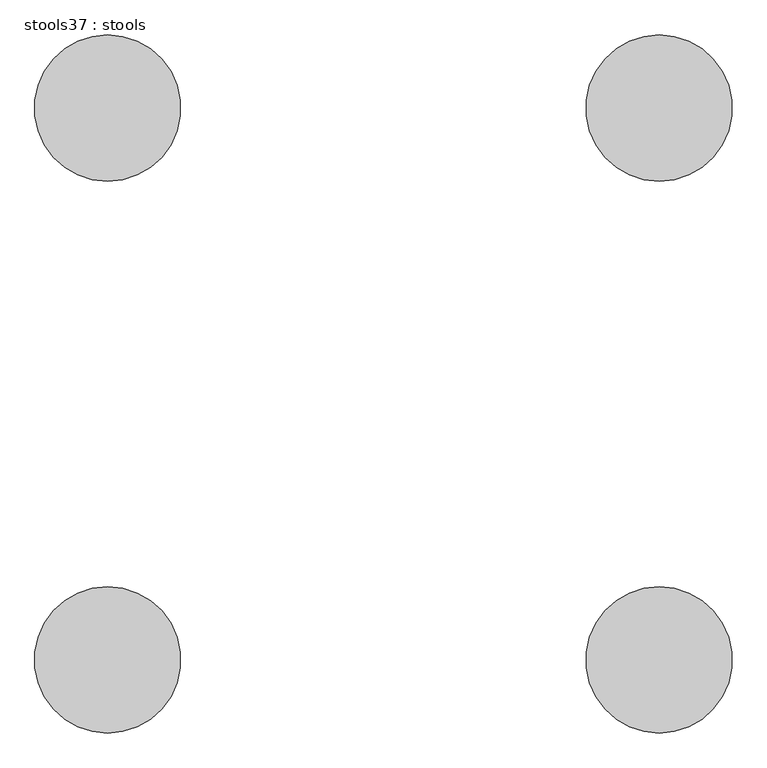
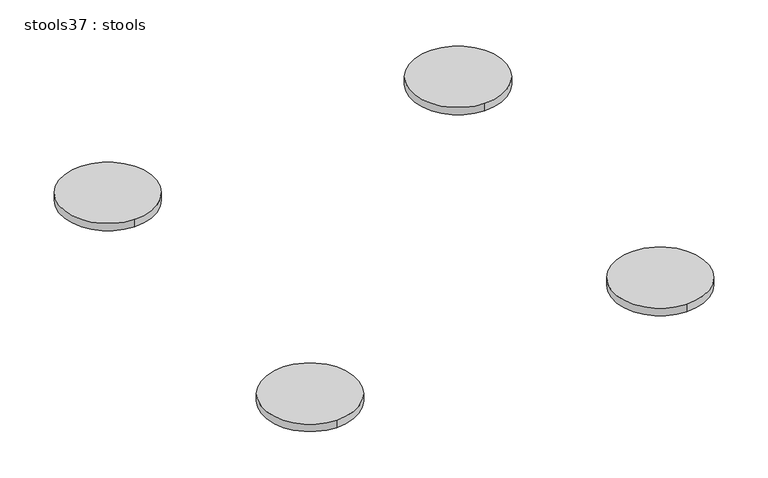
"""IFC4 building model written with IfcOpenShell, lengths in millimetres: furniture geometry, stools37 : stools."""

import ifcopenshell
import ifcopenshell.guid

model = None  # the IFC model being written
_history = None  # IfcOwnerHistory: only IFC2X3 demands one
_inside = {}  # id of a spatial element -> (the spatial element, [elements in it])
_under = {}  # id of a project, library or spatial element -> (it, [spatial elements below it])
_declared = {}  # id of a project -> (the project, [libraries it declares])
_typed = {}  # id of a type object -> (the type object, [elements of that type])
_made_of = {}  # id of a material, layer set ... -> (it, [elements and type objects made of it])


def new_model(schema):
    """Start an empty IFC model of exactly this schema.

    Asked for "IFC4X3", IfcOpenShell would pick the latest addendum, in which some entities
    have other attributes; the version numbers below select the first issue.
    IFC2X3 requires an IfcOwnerHistory on every rooted entity: one is made here for all.
    """
    global model, _history
    if schema == "IFC4X3":
        model = ifcopenshell.file(schema_version=(4, 3, 0, 0))
    else:
        model = ifcopenshell.file(schema=schema)
    _inside.clear()
    _under.clear()
    _declared.clear()
    _typed.clear()
    _made_of.clear()
    _history = None
    if model.schema == "IFC2X3":
        org = make("IfcOrganization", Name="unknown")
        user = make(
            "IfcPersonAndOrganization",
            ThePerson=make("IfcPerson", FamilyName="unknown"),
            TheOrganization=org,
        )
        app = make(
            "IfcApplication",
            ApplicationDeveloper=org,
            Version="unknown",
            ApplicationFullName="unknown",
            ApplicationIdentifier="unknown",
        )
        _history = make(
            "IfcOwnerHistory",
            OwningUser=user,
            OwningApplication=app,
            ChangeAction="ADDED",
            CreationDate=0,
        )
    return model


def make(cls, **values):
    """One entity of the class cls with the attributes given. An attribute that is None is left unset."""
    return model.create_entity(
        cls, **{name: value for name, value in values.items() if value is not None}
    )


def rooted(cls, **values):
    """An entity with a GlobalId (a new one), such as an element, a storey or a relation."""
    return make(cls, GlobalId=ifcopenshell.guid.new(), OwnerHistory=_history, **values)


def si_unit(unit_type, name, prefix=None):
    """IfcSIUnit, for example si_unit("LENGTHUNIT", "METRE", prefix="MILLI")."""
    return make("IfcSIUnit", UnitType=unit_type, Prefix=prefix, Name=name)


def assignment(units):
    """IfcUnitAssignment: the units of a project."""
    return None if units is None else make("IfcUnitAssignment", Units=units)


def point(xyz):
    """IfcCartesianPoint."""
    return None if xyz is None else make("IfcCartesianPoint", Coordinates=xyz)


def direction(xyz):
    """IfcDirection."""
    return None if xyz is None else make("IfcDirection", DirectionRatios=xyz)


def frame(location, z_axis=None, x_axis=None):
    """IfcAxis2Placement3D, a coordinate frame: its origin and axes. An axis left out is left unset."""
    return make(
        "IfcAxis2Placement3D",
        Location=point(location),
        Axis=direction(z_axis),
        RefDirection=direction(x_axis),
    )


def frame_2d(location, x_axis=None):
    """IfcAxis2Placement2D, a coordinate frame in the plane: its origin and x axis."""
    return make(
        "IfcAxis2Placement2D", Location=point(location), RefDirection=direction(x_axis)
    )


def origin():
    """The frame at (0, 0, 0) with its axes left unset."""
    return frame((0.0, 0.0, 0.0))


def place(relative_to, where):
    """IfcLocalPlacement: puts the frame where relative to a parent placement (None: the world)."""
    return make(
        "IfcLocalPlacement", PlacementRelTo=relative_to, RelativePlacement=where
    )


def context(
    kind, dimensions, precision=None, world=None, true_north=None, identifier=None
):
    """IfcGeometricRepresentationContext, for example the 3D "Model" context."""
    return make(
        "IfcGeometricRepresentationContext",
        ContextIdentifier=identifier,
        ContextType=kind,
        CoordinateSpaceDimension=dimensions,
        Precision=precision,
        WorldCoordinateSystem=world,
        TrueNorth=true_north,
    )


def project(units=None, contexts=None):
    """IfcProject with its units and contexts."""
    return rooted(
        "IfcProject",
        Name="project",
        RepresentationContexts=contexts,
        UnitsInContext=assignment(units),
    )


def spatial(cls, under=None, at=None, **own):
    """A site, building, storey or space (cls), placed at a placement, below another one or the project."""
    s = rooted(cls, ObjectPlacement=at, **own)
    if under is not None:
        _under.setdefault(under.id(), (under, []))[1].append(s)
    return s


def circle_curve(where, radius):
    """IfcCircle in the frame where."""
    return make("IfcCircle", Position=where, Radius=radius)


def trimmed(basis, trim1, trim2, sense, master):
    """IfcTrimmedCurve: the piece of a basis curve between two trims."""
    return make(
        "IfcTrimmedCurve",
        BasisCurve=basis,
        Trim1=trim1,
        Trim2=trim2,
        SenseAgreement=sense,
        MasterRepresentation=master,
    )


def segment(curve, same_sense, transition):
    """IfcCompositeCurveSegment."""
    return make(
        "IfcCompositeCurveSegment",
        Transition=transition,
        SameSense=same_sense,
        ParentCurve=curve,
    )


def composite_curve(segments, self_intersect=None):
    """IfcCompositeCurve: segments joined end to end."""
    return make("IfcCompositeCurve", Segments=segments, SelfIntersect=self_intersect)


def outline(outer, holes=None, kind="AREA"):
    """IfcArbitraryClosedProfileDef: a profile drawn as a closed curve; with holes, ...WithVoids."""
    if holes is None:
        return make("IfcArbitraryClosedProfileDef", ProfileType=kind, OuterCurve=outer)
    return make(
        "IfcArbitraryProfileDefWithVoids",
        ProfileType=kind,
        OuterCurve=outer,
        InnerCurves=holes,
    )


def extrude(swept, where, along, depth):
    """IfcExtrudedAreaSolid: the profile swept, set in the frame where, extruded along a direction by depth."""
    return make(
        "IfcExtrudedAreaSolid",
        SweptArea=swept,
        Position=where,
        ExtrudedDirection=direction(along),
        Depth=depth,
    )


def shape(context_of_items, identifier, shape_type, items):
    """IfcShapeRepresentation: the items that make up one representation, for example the "Body"."""
    return make(
        "IfcShapeRepresentation",
        ContextOfItems=context_of_items,
        RepresentationIdentifier=identifier,
        RepresentationType=shape_type,
        Items=items,
    )


def source(mapping_origin, context_of_items, identifier, shape_type, items):
    """IfcRepresentationMap: a shape defined once, which mapped items show again and again."""
    return make(
        "IfcRepresentationMap",
        MappingOrigin=mapping_origin,
        MappedRepresentation=shape(context_of_items, identifier, shape_type, items),
    )


def transform(
    local_origin,
    x_axis=None,
    y_axis=None,
    z_axis=None,
    scale=None,
    scale2=None,
    scale3=None,
    uniform=True,
):
    """IfcCartesianTransformationOperator3D, or its non-uniform kind. x_axis, y_axis, z_axis: its Axis1, 2, 3."""
    if uniform:
        return make(
            "IfcCartesianTransformationOperator3D",
            Axis1=direction(x_axis),
            Axis2=direction(y_axis),
            LocalOrigin=point(local_origin),
            Scale=scale,
            Axis3=direction(z_axis),
        )
    return make(
        "IfcCartesianTransformationOperator3DnonUniform",
        Axis1=direction(x_axis),
        Axis2=direction(y_axis),
        LocalOrigin=point(local_origin),
        Scale=scale,
        Axis3=direction(z_axis),
        Scale2=scale2,
        Scale3=scale3,
    )


def mapped(mapping_source, mapping_target):
    """IfcMappedItem: shows the shape of a source again, moved by a transform."""
    return make(
        "IfcMappedItem", MappingSource=mapping_source, MappingTarget=mapping_target
    )


def made_of(thing, what):
    """Note that an element or type object is made of a material, layer set ...; save() writes the relation."""
    if what is not None:
        _made_of.setdefault(what.id(), (what, []))[1].append(thing)
    return thing


def element(
    cls,
    number,
    at=None,
    inside=None,
    cuts=None,
    type_object=None,
    material=None,
    context=None,
    identifier="Body",
    shape_type=None,
    held_by="IfcProductDefinitionShape",
    body=None,
    shapes=None,
    **own,
):
    """One element of the class cls, such as IfcWall. Its Tag is "e" and its number.

    at: its placement. inside: the storey or other place that contains it. cuts: it is an
    opening in that element (IfcRelVoidsElement). A single representation is given by context,
    identifier, shape_type and body (its items); several are given by shapes. held_by: the class
    of the entity that holds the representations. save() writes the other relations.
    """
    e = rooted(cls, Tag="e%d" % number, ObjectPlacement=at, **own)
    if body is not None:
        shapes = [shape(context, identifier, shape_type, body)]
    if shapes is not None:
        e.Representation = make(held_by, Representations=shapes)
    if inside is not None:
        _inside.setdefault(inside.id(), (inside, []))[1].append(e)
    if cuts is not None:
        rooted(
            "IfcRelVoidsElement", RelatingBuildingElement=cuts, RelatedOpeningElement=e
        )
    if type_object is not None:
        _typed.setdefault(type_object.id(), (type_object, []))[1].append(e)
    return made_of(e, material)


def aggregate(whole, parts):
    """IfcRelAggregates: a whole, such as a stair, and the parts it consists of."""
    return rooted("IfcRelAggregates", RelatingObject=whole, RelatedObjects=parts)


def save(model, path):
    """Write the relations noted so far, then the file.

    IfcRelAggregates (storeys below a building ...), IfcRelContainedInSpatialStructure (elements
    in a storey), IfcRelDefinesByType, IfcRelAssociatesMaterial and IfcRelDeclares: one each for
    every whole, place, type object, material and project.
    """
    for whole, parts in _under.values():
        aggregate(whole, parts)
    for where, things in _inside.values():
        rooted(
            "IfcRelContainedInSpatialStructure",
            RelatedElements=things,
            RelatingStructure=where,
        )
    for kind, things in _typed.values():
        rooted("IfcRelDefinesByType", RelatedObjects=things, RelatingType=kind)
    for what, things in _made_of.values():
        rooted("IfcRelAssociatesMaterial", RelatedObjects=things, RelatingMaterial=what)
    for by, libraries in _declared.values():
        rooted("IfcRelDeclares", RelatingContext=by, RelatedDefinitions=libraries)
    model.write(path)


def stools37_stools_c8001e5c(model_context):
    return source(origin(), model_context, "Body", "SweptSolid", [
        extrude(outline(composite_curve([segment(trimmed(circle_curve(frame_2d((-120413.196914, -64477.6321428)), 152.4), [point((-120413.196914, -64325.2321428))], [point((-120413.196914, -64630.0321428))], False, "CARTESIAN"), True, "CONTINUOUS"), segment(trimmed(circle_curve(frame_2d((-120413.196914, -64477.6321428)), 152.4), [point((-120413.196914, -64630.0321428))], [point((-120413.196914, -64325.2321428))], False, "CARTESIAN"), True, "CONTINUOUS")], self_intersect=False)), frame((0.0, 0.0, 457.2), z_axis=(0.0, 0.0, 1.0), x_axis=(1.0, 0.0, 0.0)), (0.0, 0.0, 1.0), 25.4),
        extrude(outline(composite_curve([segment(trimmed(circle_curve(frame_2d((-121562.6696974, -64477.6321428)), 152.4), [point((-121562.6696974, -64325.2321428))], [point((-121562.6696974, -64630.0321428))], False, "CARTESIAN"), True, "CONTINUOUS"), segment(trimmed(circle_curve(frame_2d((-121562.6696974, -64477.6321428)), 152.4), [point((-121562.6696974, -64630.0321428))], [point((-121562.6696974, -64325.2321428))], False, "CARTESIAN"), True, "CONTINUOUS")], self_intersect=False)), frame((0.0, 0.0, 457.2), z_axis=(0.0, 0.0, 1.0), x_axis=(1.0, 0.0, 0.0)), (0.0, 0.0, 1.0), 25.4),
        extrude(outline(composite_curve([segment(trimmed(circle_curve(frame_2d((-120413.196914, -63328.1593593)), 152.4), [point((-120413.196914, -63480.5593593))], [point((-120413.196914, -63175.7593593))], False, "CARTESIAN"), True, "CONTINUOUS"), segment(trimmed(circle_curve(frame_2d((-120413.196914, -63328.1593593)), 152.4), [point((-120413.196914, -63175.7593593))], [point((-120413.196914, -63480.5593593))], False, "CARTESIAN"), True, "CONTINUOUS")], self_intersect=False)), frame((0.0, 0.0, 457.2), z_axis=(0.0, 0.0, 1.0), x_axis=(1.0, 0.0, 0.0)), (0.0, 0.0, 1.0), 25.4),
        extrude(outline(composite_curve([segment(trimmed(circle_curve(frame_2d((-121562.6696974, -63328.1593593)), 152.4), [point((-121562.6696974, -63480.5593593))], [point((-121562.6696974, -63175.7593593))], False, "CARTESIAN"), True, "CONTINUOUS"), segment(trimmed(circle_curve(frame_2d((-121562.6696974, -63328.1593593)), 152.4), [point((-121562.6696974, -63175.7593593))], [point((-121562.6696974, -63480.5593593))], False, "CARTESIAN"), True, "CONTINUOUS")], self_intersect=False)), frame((0.0, 0.0, 457.2), z_axis=(0.0, 0.0, 1.0), x_axis=(1.0, 0.0, 0.0)), (0.0, 0.0, 1.0), 25.4),
    ])


if __name__ == "__main__":
    model = new_model("IFC4")
    model_context = context("Model", 3, world=origin())
    ifc_project = project(units=[si_unit("LENGTHUNIT", "METRE", prefix="MILLI")], contexts=[model_context])
    site = spatial("IfcSite", under=ifc_project)
    building = spatial("IfcBuilding", under=site)
    placement = place(None, origin())
    stools37_stools_shape = stools37_stools_c8001e5c(model_context)
    element("IfcFurniture", 1, ObjectType="stools37 : stools", at=placement, inside=building, context=model_context, shape_type="MappedRepresentation", body=[
        mapped(stools37_stools_shape, transform((0.0, 0.0, 0.0), x_axis=(1.0, 0.0, 0.0), y_axis=(0.0, 1.0, 0.0), z_axis=(0.0, 0.0, 1.0))),
    ])
    save(model, "model.ifc")
